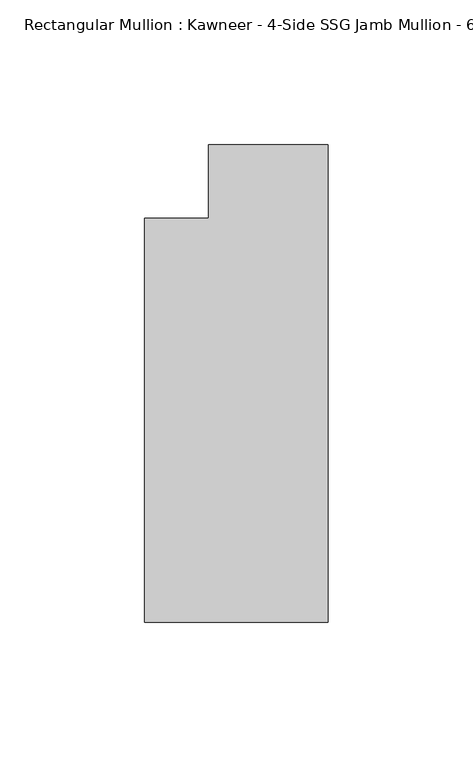
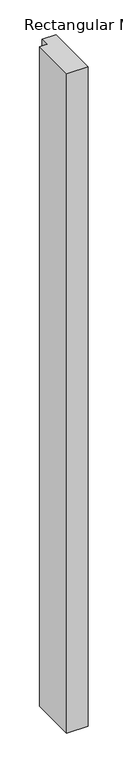
"""IFC4 building model written with IfcOpenShell, lengths in millimetres: member geometry."""

from ifc_helpers import new_model, si_unit, frame, origin, place, context, project, spatial, polyline, outline, extrude, source, transform, mapped, element, save


def member_555c74bf(model_context):
    return source(origin(), model_context, "Body", "SweptSolid", [
        extrude(outline(polyline([(0.0, -152.399995), (-63.5, -152.399995), (-63.5, -12.7), (-41.2751132, -12.7), (-41.2751132, 12.7), (0.0, 12.7), (0.0, -152.399995)])), frame((0.0, 0.0, -2078.6680655), z_axis=(0.0, 0.0, 1.0), x_axis=(1.0, 0.0, 0.0)), (0.0, 0.0, 1.0), 2078.6680655),
    ])


if __name__ == "__main__":
    model = new_model("IFC4")
    model_context = context("Model", 3, world=origin())
    ifc_project = project(units=[si_unit("LENGTHUNIT", "METRE", prefix="MILLI")], contexts=[model_context])
    site = spatial("IfcSite", under=ifc_project)
    building = spatial("IfcBuilding", under=site)
    placement = place(None, origin())
    member_shape = member_555c74bf(model_context)
    element("IfcMember", 1, ObjectType="Rectangular Mullion : Kawneer - 4-Side SSG Jamb Mullion - 6 1/2\" - Left", at=placement, inside=building, context=model_context, shape_type="MappedRepresentation", body=[
        mapped(member_shape, transform((0.0, 0.0, 0.0), x_axis=(1.0, 0.0, 0.0), y_axis=(0.0, 1.0, 0.0), z_axis=(0.0, 0.0, 1.0))),
    ])
    save(model, "model.ifc")
